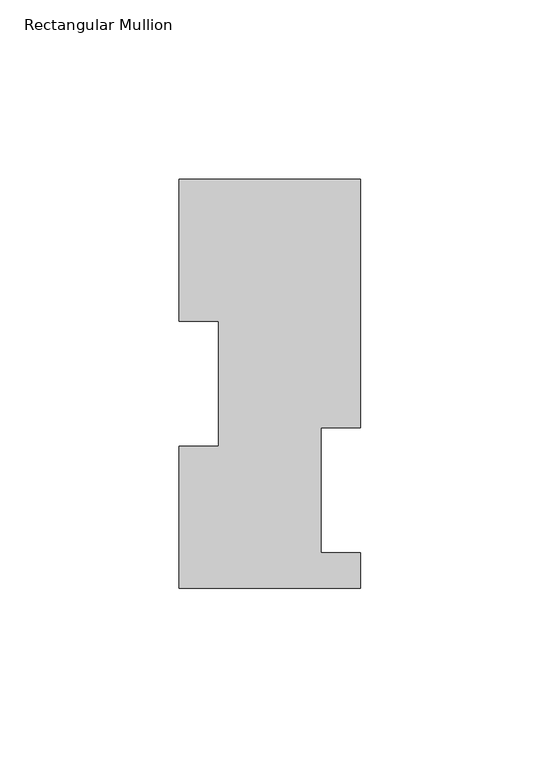
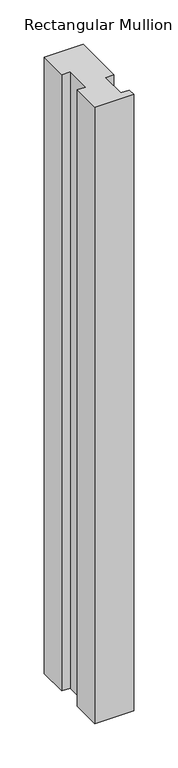
"""IFC4 building model written with IfcOpenShell, lengths in millimetres: member geometry, Rectangular Mullion."""

from ifc_helpers import new_model, si_unit, frame, origin, place, context, project, spatial, polyline, outline, extrude, source, transform, mapped, element, save


def rectangular_mullion_748160ba(model_context):
    return source(origin(), model_context, "Body", "SweptSolid", [
        extrude(outline(polyline([(-25.4, 114.0729875), (25.4, 114.0729875), (25.4, 44.6039875), (14.2875, 44.6039875), (14.2875, 9.6789875), (25.4, 9.6789875), (25.4, -0.2270125), (-25.4, -0.2270125), (-25.4, 39.4477875), (-14.2875, 39.4477875), (-14.2875, 74.3981875), (-25.4, 74.3981875), (-25.4, 114.0729875)])), frame((0.0, 0.0, -850.9), z_axis=(0.0, 0.0, 1.0), x_axis=(1.0, 0.0, 0.0)), (0.0, 0.0, 1.0), 850.9),
    ])


if __name__ == "__main__":
    model = new_model("IFC4")
    model_context = context("Model", 3, world=origin())
    ifc_project = project(units=[si_unit("LENGTHUNIT", "METRE", prefix="MILLI")], contexts=[model_context])
    site = spatial("IfcSite", under=ifc_project)
    building = spatial("IfcBuilding", under=site)
    placement = place(None, origin())
    rectangular_mullion_shape = rectangular_mullion_748160ba(model_context)
    element("IfcMember", 1, ObjectType="Rectangular Mullion", at=placement, inside=building, context=model_context, shape_type="MappedRepresentation", body=[
        mapped(rectangular_mullion_shape, transform((0.0, 0.0, 0.0), x_axis=(1.0, 0.0, 0.0), y_axis=(0.0, 1.0, 0.0), z_axis=(0.0, 0.0, 1.0))),
    ])
    save(model, "model.ifc")
